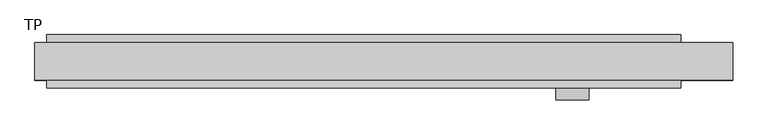
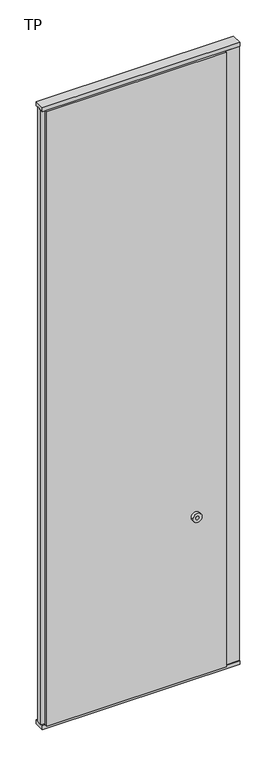
"""IFC4 building model written with IfcOpenShell, lengths in millimetres: plate geometry, TP."""

from ifc_helpers import new_model, si_unit, point, frame, frame_2d, origin, origin_with_axes, place, context, project, spatial, polyline, circle_curve, trimmed, segment, composite_curve, outline, extrude, source, transform, mapped, element, save


def tp_f62f5c22(model_context):
    return source(origin(), model_context, "Body", "SweptSolid", [
        extrude(outline(polyline([(502.0507813, 45.0), (502.0507813, 30.5), (590.0, 30.5), (590.0, -30.5), (502.0507813, -30.5), (502.0507813, -45.0), (-570.0, -45.0), (-570.0, -22.9993165), (-590.0, -17.6401049), (-590.0, 17.6401049), (-570.0, 22.9993165), (-570.0, 45.0), (502.0507813, 45.0)])), frame((0.0, 0.0, 25.0), z_axis=(0.0, 0.0, 1.0), x_axis=(1.0, 0.0, 0.0)), (0.0, 0.0, 1.0), 3877.0),
        extrude(outline(polyline([(-590.0, -32.0), (-590.0, 32.0), (590.0, 32.0), (590.0, -32.0), (-590.0, -32.0)])), origin_with_axes(), (0.0, 0.0, 1.0), 25.0),
        extrude(outline(polyline([(-590.0, -32.0), (-590.0, 32.0), (590.0, 32.0), (590.0, -32.0), (-590.0, -32.0)])), frame((0.0, 0.0, 3902.0), z_axis=(0.0, 0.0, 1.0), x_axis=(1.0, 0.0, 0.0)), (0.0, 0.0, 1.0), 25.0),
        extrude(outline(composite_curve([segment(trimmed(circle_curve(frame_2d((1040.0, 318.9738813)), 27.5), [point((1040.0, 346.4738813))], [point((1040.0, 291.4738813))], False, "CARTESIAN"), True, "CONTINUOUS"), segment(trimmed(circle_curve(frame_2d((1040.0, 318.9738813)), 27.5), [point((1040.0, 291.4738813))], [point((1040.0, 346.4738813))], False, "CARTESIAN"), True, "CONTINUOUS")], self_intersect=False), holes=[composite_curve([segment(trimmed(circle_curve(frame_2d((1040.0, 318.9738813)), 10.0), [point((1040.0, 328.9738813))], [point((1040.0, 308.9738813))], True, "CARTESIAN"), True, "CONTINUOUS"), segment(trimmed(circle_curve(frame_2d((1040.0, 318.9738813)), 10.0), [point((1040.0, 308.9738813))], [point((1040.0, 328.9738813))], True, "CARTESIAN"), True, "CONTINUOUS")], self_intersect=False)]), frame((0.0, -65.0, 0.0), z_axis=(0.0, 1.0, 0.0), x_axis=(0.0, 0.0, 1.0)), (0.0, 0.0, 1.0), 20.0),
    ])


if __name__ == "__main__":
    model = new_model("IFC4")
    model_context = context("Model", 3, world=origin())
    ifc_project = project(units=[si_unit("LENGTHUNIT", "METRE", prefix="MILLI")], contexts=[model_context])
    site = spatial("IfcSite", under=ifc_project)
    building = spatial("IfcBuilding", under=site)
    placement = place(None, origin())
    tp_shape = tp_f62f5c22(model_context)
    element("IfcPlate", 1, ObjectType="TP", at=placement, inside=building, context=model_context, shape_type="MappedRepresentation", body=[
        mapped(tp_shape, transform((0.0, 0.0, 0.0), x_axis=(1.0, 0.0, 0.0), y_axis=(0.0, 1.0, 0.0), z_axis=(0.0, 0.0, 1.0))),
    ])
    save(model, "model.ifc")
